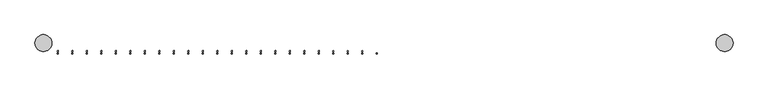
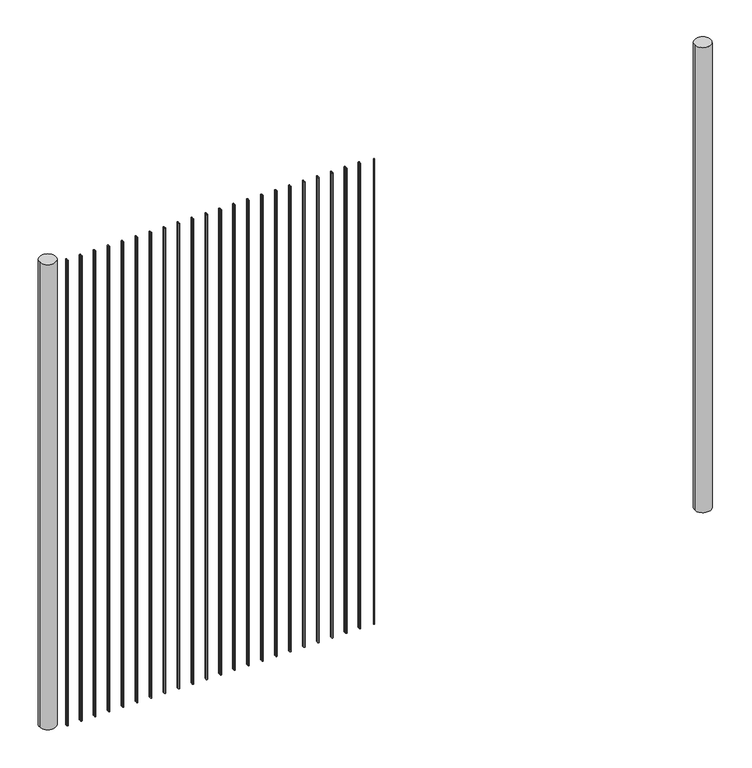
"""IFC4 building model written with IfcOpenShell, lengths in millimetres: railing geometry."""

from ifc_helpers import new_model, si_unit, point, frame, frame_2d, origin, place, context, project, spatial, circle_curve, trimmed, segment, composite_curve, outline, extrude, source, transform, mapped, element, save


def railing_9cec7377(model_context):
    return source(origin(), model_context, "Body", "SweptSolid", [
        extrude(outline(composite_curve([segment(trimmed(circle_curve(frame_2d((-3996.1985631, -1802.8508363)), 2.0574), [point((-3996.1985631, -1800.7934363))], [point((-3996.1985631, -1804.9082363))], False, "CARTESIAN"), True, "CONTINUOUS"), segment(trimmed(circle_curve(frame_2d((-3996.1985631, -1802.8508363)), 2.0574), [point((-3996.1985631, -1804.9082363))], [point((-3996.1985631, -1800.7934363))], False, "CARTESIAN"), True, "CONTINUOUS")], self_intersect=False)), frame((0.0, 0.0, 7620.0), z_axis=(0.0, 0.0, 1.0), x_axis=(1.0, 0.0, 0.0)), (0.0, 0.0, 1.0), 1828.8),
        extrude(outline(composite_curve([segment(trimmed(circle_curve(frame_2d((-4048.0794142, -1794.6212363)), 2.0574), [point((-4048.0794142, -1796.6786363))], [point((-4048.0794142, -1792.5638363))], False, "CARTESIAN"), True, "CONTINUOUS"), segment(trimmed(circle_curve(frame_2d((-4048.0794142, -1794.6212363)), 2.0574), [point((-4048.0794142, -1792.5638363))], [point((-4048.0794142, -1796.6786363))], False, "CARTESIAN"), True, "CONTINUOUS")], self_intersect=False)), frame((0.0, 0.0, 7620.0), z_axis=(0.0, 0.0, 1.0), x_axis=(1.0, 0.0, 0.0)), (0.0, 0.0, 1.0), 1828.8),
        extrude(outline(composite_curve([segment(trimmed(circle_curve(frame_2d((-4048.0794142, -1802.8508363)), 2.0574), [point((-4048.0794142, -1800.7934363))], [point((-4048.0794142, -1804.9082363))], False, "CARTESIAN"), True, "CONTINUOUS"), segment(trimmed(circle_curve(frame_2d((-4048.0794142, -1802.8508363)), 2.0574), [point((-4048.0794142, -1804.9082363))], [point((-4048.0794142, -1800.7934363))], False, "CARTESIAN"), True, "CONTINUOUS")], self_intersect=False)), frame((0.0, 0.0, 7620.0), z_axis=(0.0, 0.0, 1.0), x_axis=(1.0, 0.0, 0.0)), (0.0, 0.0, 1.0), 1828.8),
        extrude(outline(composite_curve([segment(trimmed(circle_curve(frame_2d((-4099.9602653, -1794.6212363)), 2.0574), [point((-4099.9602653, -1796.6786363))], [point((-4099.9602653, -1792.5638363))], False, "CARTESIAN"), True, "CONTINUOUS"), segment(trimmed(circle_curve(frame_2d((-4099.9602653, -1794.6212363)), 2.0574), [point((-4099.9602653, -1792.5638363))], [point((-4099.9602653, -1796.6786363))], False, "CARTESIAN"), True, "CONTINUOUS")], self_intersect=False)), frame((0.0, 0.0, 7620.0), z_axis=(0.0, 0.0, 1.0), x_axis=(1.0, 0.0, 0.0)), (0.0, 0.0, 1.0), 1828.8),
        extrude(outline(composite_curve([segment(trimmed(circle_curve(frame_2d((-4099.9602653, -1802.8508363)), 2.0574), [point((-4099.9602653, -1800.7934363))], [point((-4099.9602653, -1804.9082363))], False, "CARTESIAN"), True, "CONTINUOUS"), segment(trimmed(circle_curve(frame_2d((-4099.9602653, -1802.8508363)), 2.0574), [point((-4099.9602653, -1804.9082363))], [point((-4099.9602653, -1800.7934363))], False, "CARTESIAN"), True, "CONTINUOUS")], self_intersect=False)), frame((0.0, 0.0, 7620.0), z_axis=(0.0, 0.0, 1.0), x_axis=(1.0, 0.0, 0.0)), (0.0, 0.0, 1.0), 1828.8),
        extrude(outline(composite_curve([segment(trimmed(circle_curve(frame_2d((-4151.8411163, -1794.6212363)), 2.0574), [point((-4151.8411163, -1796.6786363))], [point((-4151.8411163, -1792.5638363))], False, "CARTESIAN"), True, "CONTINUOUS"), segment(trimmed(circle_curve(frame_2d((-4151.8411163, -1794.6212363)), 2.0574), [point((-4151.8411163, -1792.5638363))], [point((-4151.8411163, -1796.6786363))], False, "CARTESIAN"), True, "CONTINUOUS")], self_intersect=False)), frame((0.0, 0.0, 7620.0), z_axis=(0.0, 0.0, 1.0), x_axis=(1.0, 0.0, 0.0)), (0.0, 0.0, 1.0), 1828.8),
        extrude(outline(composite_curve([segment(trimmed(circle_curve(frame_2d((-4151.8411163, -1802.8508363)), 2.0574), [point((-4151.8411163, -1800.7934363))], [point((-4151.8411163, -1804.9082363))], False, "CARTESIAN"), True, "CONTINUOUS"), segment(trimmed(circle_curve(frame_2d((-4151.8411163, -1802.8508363)), 2.0574), [point((-4151.8411163, -1804.9082363))], [point((-4151.8411163, -1800.7934363))], False, "CARTESIAN"), True, "CONTINUOUS")], self_intersect=False)), frame((0.0, 0.0, 7620.0), z_axis=(0.0, 0.0, 1.0), x_axis=(1.0, 0.0, 0.0)), (0.0, 0.0, 1.0), 1828.8),
        extrude(outline(composite_curve([segment(trimmed(circle_curve(frame_2d((-4203.7219674, -1794.6212363)), 2.0574), [point((-4203.7219674, -1796.6786363))], [point((-4203.7219674, -1792.5638363))], False, "CARTESIAN"), True, "CONTINUOUS"), segment(trimmed(circle_curve(frame_2d((-4203.7219674, -1794.6212363)), 2.0574), [point((-4203.7219674, -1792.5638363))], [point((-4203.7219674, -1796.6786363))], False, "CARTESIAN"), True, "CONTINUOUS")], self_intersect=False)), frame((0.0, 0.0, 7620.0), z_axis=(0.0, 0.0, 1.0), x_axis=(1.0, 0.0, 0.0)), (0.0, 0.0, 1.0), 1828.8),
        extrude(outline(composite_curve([segment(trimmed(circle_curve(frame_2d((-4203.7219674, -1802.8508363)), 2.0574), [point((-4203.7219674, -1800.7934363))], [point((-4203.7219674, -1804.9082363))], False, "CARTESIAN"), True, "CONTINUOUS"), segment(trimmed(circle_curve(frame_2d((-4203.7219674, -1802.8508363)), 2.0574), [point((-4203.7219674, -1804.9082363))], [point((-4203.7219674, -1800.7934363))], False, "CARTESIAN"), True, "CONTINUOUS")], self_intersect=False)), frame((0.0, 0.0, 7620.0), z_axis=(0.0, 0.0, 1.0), x_axis=(1.0, 0.0, 0.0)), (0.0, 0.0, 1.0), 1828.8),
        extrude(outline(composite_curve([segment(trimmed(circle_curve(frame_2d((-4255.6028185, -1794.6212363)), 2.0574), [point((-4255.6028185, -1796.6786363))], [point((-4255.6028185, -1792.5638363))], False, "CARTESIAN"), True, "CONTINUOUS"), segment(trimmed(circle_curve(frame_2d((-4255.6028185, -1794.6212363)), 2.0574), [point((-4255.6028185, -1792.5638363))], [point((-4255.6028185, -1796.6786363))], False, "CARTESIAN"), True, "CONTINUOUS")], self_intersect=False)), frame((0.0, 0.0, 7620.0), z_axis=(0.0, 0.0, 1.0), x_axis=(1.0, 0.0, 0.0)), (0.0, 0.0, 1.0), 1828.8),
        extrude(outline(composite_curve([segment(trimmed(circle_curve(frame_2d((-4255.6028185, -1802.8508363)), 2.0574), [point((-4255.6028185, -1800.7934363))], [point((-4255.6028185, -1804.9082363))], False, "CARTESIAN"), True, "CONTINUOUS"), segment(trimmed(circle_curve(frame_2d((-4255.6028185, -1802.8508363)), 2.0574), [point((-4255.6028185, -1804.9082363))], [point((-4255.6028185, -1800.7934363))], False, "CARTESIAN"), True, "CONTINUOUS")], self_intersect=False)), frame((0.0, 0.0, 7620.0), z_axis=(0.0, 0.0, 1.0), x_axis=(1.0, 0.0, 0.0)), (0.0, 0.0, 1.0), 1828.8),
        extrude(outline(composite_curve([segment(trimmed(circle_curve(frame_2d((-4307.4836695, -1794.6212363)), 2.0574), [point((-4307.4836695, -1796.6786363))], [point((-4307.4836695, -1792.5638363))], False, "CARTESIAN"), True, "CONTINUOUS"), segment(trimmed(circle_curve(frame_2d((-4307.4836695, -1794.6212363)), 2.0574), [point((-4307.4836695, -1792.5638363))], [point((-4307.4836695, -1796.6786363))], False, "CARTESIAN"), True, "CONTINUOUS")], self_intersect=False)), frame((0.0, 0.0, 7620.0), z_axis=(0.0, 0.0, 1.0), x_axis=(1.0, 0.0, 0.0)), (0.0, 0.0, 1.0), 1828.8),
        extrude(outline(composite_curve([segment(trimmed(circle_curve(frame_2d((-4307.4836695, -1802.8508363)), 2.0574), [point((-4307.4836695, -1800.7934363))], [point((-4307.4836695, -1804.9082363))], False, "CARTESIAN"), True, "CONTINUOUS"), segment(trimmed(circle_curve(frame_2d((-4307.4836695, -1802.8508363)), 2.0574), [point((-4307.4836695, -1804.9082363))], [point((-4307.4836695, -1800.7934363))], False, "CARTESIAN"), True, "CONTINUOUS")], self_intersect=False)), frame((0.0, 0.0, 7620.0), z_axis=(0.0, 0.0, 1.0), x_axis=(1.0, 0.0, 0.0)), (0.0, 0.0, 1.0), 1828.8),
        extrude(outline(composite_curve([segment(trimmed(circle_curve(frame_2d((-4359.3645206, -1794.6212363)), 2.0574), [point((-4359.3645206, -1796.6786363))], [point((-4359.3645206, -1792.5638363))], False, "CARTESIAN"), True, "CONTINUOUS"), segment(trimmed(circle_curve(frame_2d((-4359.3645206, -1794.6212363)), 2.0574), [point((-4359.3645206, -1792.5638363))], [point((-4359.3645206, -1796.6786363))], False, "CARTESIAN"), True, "CONTINUOUS")], self_intersect=False)), frame((0.0, 0.0, 7620.0), z_axis=(0.0, 0.0, 1.0), x_axis=(1.0, 0.0, 0.0)), (0.0, 0.0, 1.0), 1828.8),
        extrude(outline(composite_curve([segment(trimmed(circle_curve(frame_2d((-4359.3645206, -1802.8508363)), 2.0574), [point((-4359.3645206, -1800.7934363))], [point((-4359.3645206, -1804.9082363))], False, "CARTESIAN"), True, "CONTINUOUS"), segment(trimmed(circle_curve(frame_2d((-4359.3645206, -1802.8508363)), 2.0574), [point((-4359.3645206, -1804.9082363))], [point((-4359.3645206, -1800.7934363))], False, "CARTESIAN"), True, "CONTINUOUS")], self_intersect=False)), frame((0.0, 0.0, 7620.0), z_axis=(0.0, 0.0, 1.0), x_axis=(1.0, 0.0, 0.0)), (0.0, 0.0, 1.0), 1828.8),
        extrude(outline(composite_curve([segment(trimmed(circle_curve(frame_2d((-4411.2453717, -1794.6212363)), 2.0574), [point((-4411.2453717, -1796.6786363))], [point((-4411.2453717, -1792.5638363))], False, "CARTESIAN"), True, "CONTINUOUS"), segment(trimmed(circle_curve(frame_2d((-4411.2453717, -1794.6212363)), 2.0574), [point((-4411.2453717, -1792.5638363))], [point((-4411.2453717, -1796.6786363))], False, "CARTESIAN"), True, "CONTINUOUS")], self_intersect=False)), frame((0.0, 0.0, 7620.0), z_axis=(0.0, 0.0, 1.0), x_axis=(1.0, 0.0, 0.0)), (0.0, 0.0, 1.0), 1828.8),
        extrude(outline(composite_curve([segment(trimmed(circle_curve(frame_2d((-4411.2453717, -1802.8508363)), 2.0574), [point((-4411.2453717, -1800.7934363))], [point((-4411.2453717, -1804.9082363))], False, "CARTESIAN"), True, "CONTINUOUS"), segment(trimmed(circle_curve(frame_2d((-4411.2453717, -1802.8508363)), 2.0574), [point((-4411.2453717, -1804.9082363))], [point((-4411.2453717, -1800.7934363))], False, "CARTESIAN"), True, "CONTINUOUS")], self_intersect=False)), frame((0.0, 0.0, 7620.0), z_axis=(0.0, 0.0, 1.0), x_axis=(1.0, 0.0, 0.0)), (0.0, 0.0, 1.0), 1828.8),
        extrude(outline(composite_curve([segment(trimmed(circle_curve(frame_2d((-4463.1262227, -1794.6212363)), 2.0574), [point((-4463.1262227, -1796.6786363))], [point((-4463.1262227, -1792.5638363))], False, "CARTESIAN"), True, "CONTINUOUS"), segment(trimmed(circle_curve(frame_2d((-4463.1262227, -1794.6212363)), 2.0574), [point((-4463.1262227, -1792.5638363))], [point((-4463.1262227, -1796.6786363))], False, "CARTESIAN"), True, "CONTINUOUS")], self_intersect=False)), frame((0.0, 0.0, 7620.0), z_axis=(0.0, 0.0, 1.0), x_axis=(1.0, 0.0, 0.0)), (0.0, 0.0, 1.0), 1828.8),
        extrude(outline(composite_curve([segment(trimmed(circle_curve(frame_2d((-4463.1262227, -1802.8508363)), 2.0574), [point((-4463.1262227, -1800.7934363))], [point((-4463.1262227, -1804.9082363))], False, "CARTESIAN"), True, "CONTINUOUS"), segment(trimmed(circle_curve(frame_2d((-4463.1262227, -1802.8508363)), 2.0574), [point((-4463.1262227, -1804.9082363))], [point((-4463.1262227, -1800.7934363))], False, "CARTESIAN"), True, "CONTINUOUS")], self_intersect=False)), frame((0.0, 0.0, 7620.0), z_axis=(0.0, 0.0, 1.0), x_axis=(1.0, 0.0, 0.0)), (0.0, 0.0, 1.0), 1828.8),
        extrude(outline(composite_curve([segment(trimmed(circle_curve(frame_2d((-4515.0070738, -1794.6212363)), 2.0574), [point((-4515.0070738, -1796.6786363))], [point((-4515.0070738, -1792.5638363))], False, "CARTESIAN"), True, "CONTINUOUS"), segment(trimmed(circle_curve(frame_2d((-4515.0070738, -1794.6212363)), 2.0574), [point((-4515.0070738, -1792.5638363))], [point((-4515.0070738, -1796.6786363))], False, "CARTESIAN"), True, "CONTINUOUS")], self_intersect=False)), frame((0.0, 0.0, 7620.0), z_axis=(0.0, 0.0, 1.0), x_axis=(1.0, 0.0, 0.0)), (0.0, 0.0, 1.0), 1828.8),
        extrude(outline(composite_curve([segment(trimmed(circle_curve(frame_2d((-4515.0070738, -1802.8508363)), 2.0574), [point((-4515.0070738, -1800.7934363))], [point((-4515.0070738, -1804.9082363))], False, "CARTESIAN"), True, "CONTINUOUS"), segment(trimmed(circle_curve(frame_2d((-4515.0070738, -1802.8508363)), 2.0574), [point((-4515.0070738, -1804.9082363))], [point((-4515.0070738, -1800.7934363))], False, "CARTESIAN"), True, "CONTINUOUS")], self_intersect=False)), frame((0.0, 0.0, 7620.0), z_axis=(0.0, 0.0, 1.0), x_axis=(1.0, 0.0, 0.0)), (0.0, 0.0, 1.0), 1828.8),
        extrude(outline(composite_curve([segment(trimmed(circle_curve(frame_2d((-4566.8879248, -1794.6212363)), 2.0574), [point((-4566.8879248, -1796.6786363))], [point((-4566.8879248, -1792.5638363))], False, "CARTESIAN"), True, "CONTINUOUS"), segment(trimmed(circle_curve(frame_2d((-4566.8879248, -1794.6212363)), 2.0574), [point((-4566.8879248, -1792.5638363))], [point((-4566.8879248, -1796.6786363))], False, "CARTESIAN"), True, "CONTINUOUS")], self_intersect=False)), frame((0.0, 0.0, 7620.0), z_axis=(0.0, 0.0, 1.0), x_axis=(1.0, 0.0, 0.0)), (0.0, 0.0, 1.0), 1828.8),
        extrude(outline(composite_curve([segment(trimmed(circle_curve(frame_2d((-4566.8879248, -1802.8508363)), 2.0574), [point((-4566.8879248, -1800.7934363))], [point((-4566.8879248, -1804.9082363))], False, "CARTESIAN"), True, "CONTINUOUS"), segment(trimmed(circle_curve(frame_2d((-4566.8879248, -1802.8508363)), 2.0574), [point((-4566.8879248, -1804.9082363))], [point((-4566.8879248, -1800.7934363))], False, "CARTESIAN"), True, "CONTINUOUS")], self_intersect=False)), frame((0.0, 0.0, 7620.0), z_axis=(0.0, 0.0, 1.0), x_axis=(1.0, 0.0, 0.0)), (0.0, 0.0, 1.0), 1828.8),
        extrude(outline(composite_curve([segment(trimmed(circle_curve(frame_2d((-4618.7687759, -1794.6212363)), 2.0574), [point((-4618.7687759, -1796.6786363))], [point((-4618.7687759, -1792.5638363))], False, "CARTESIAN"), True, "CONTINUOUS"), segment(trimmed(circle_curve(frame_2d((-4618.7687759, -1794.6212363)), 2.0574), [point((-4618.7687759, -1792.5638363))], [point((-4618.7687759, -1796.6786363))], False, "CARTESIAN"), True, "CONTINUOUS")], self_intersect=False)), frame((0.0, 0.0, 7620.0), z_axis=(0.0, 0.0, 1.0), x_axis=(1.0, 0.0, 0.0)), (0.0, 0.0, 1.0), 1828.8),
        extrude(outline(composite_curve([segment(trimmed(circle_curve(frame_2d((-4618.7687759, -1802.8508363)), 2.0574), [point((-4618.7687759, -1800.7934363))], [point((-4618.7687759, -1804.9082363))], False, "CARTESIAN"), True, "CONTINUOUS"), segment(trimmed(circle_curve(frame_2d((-4618.7687759, -1802.8508363)), 2.0574), [point((-4618.7687759, -1804.9082363))], [point((-4618.7687759, -1800.7934363))], False, "CARTESIAN"), True, "CONTINUOUS")], self_intersect=False)), frame((0.0, 0.0, 7620.0), z_axis=(0.0, 0.0, 1.0), x_axis=(1.0, 0.0, 0.0)), (0.0, 0.0, 1.0), 1828.8),
        extrude(outline(composite_curve([segment(trimmed(circle_curve(frame_2d((-4670.649627, -1794.6212363)), 2.0574), [point((-4670.649627, -1796.6786363))], [point((-4670.649627, -1792.5638363))], False, "CARTESIAN"), True, "CONTINUOUS"), segment(trimmed(circle_curve(frame_2d((-4670.649627, -1794.6212363)), 2.0574), [point((-4670.649627, -1792.5638363))], [point((-4670.649627, -1796.6786363))], False, "CARTESIAN"), True, "CONTINUOUS")], self_intersect=False)), frame((0.0, 0.0, 7620.0), z_axis=(0.0, 0.0, 1.0), x_axis=(1.0, 0.0, 0.0)), (0.0, 0.0, 1.0), 1828.8),
        extrude(outline(composite_curve([segment(trimmed(circle_curve(frame_2d((-4670.649627, -1802.8508363)), 2.0574), [point((-4670.649627, -1800.7934363))], [point((-4670.649627, -1804.9082363))], False, "CARTESIAN"), True, "CONTINUOUS"), segment(trimmed(circle_curve(frame_2d((-4670.649627, -1802.8508363)), 2.0574), [point((-4670.649627, -1804.9082363))], [point((-4670.649627, -1800.7934363))], False, "CARTESIAN"), True, "CONTINUOUS")], self_intersect=False)), frame((0.0, 0.0, 7620.0), z_axis=(0.0, 0.0, 1.0), x_axis=(1.0, 0.0, 0.0)), (0.0, 0.0, 1.0), 1828.8),
        extrude(outline(composite_curve([segment(trimmed(circle_curve(frame_2d((-4722.530478, -1794.6212363)), 2.0574), [point((-4722.530478, -1796.6786363))], [point((-4722.530478, -1792.5638363))], False, "CARTESIAN"), True, "CONTINUOUS"), segment(trimmed(circle_curve(frame_2d((-4722.530478, -1794.6212363)), 2.0574), [point((-4722.530478, -1792.5638363))], [point((-4722.530478, -1796.6786363))], False, "CARTESIAN"), True, "CONTINUOUS")], self_intersect=False)), frame((0.0, 0.0, 7620.0), z_axis=(0.0, 0.0, 1.0), x_axis=(1.0, 0.0, 0.0)), (0.0, 0.0, 1.0), 1828.8),
        extrude(outline(composite_curve([segment(trimmed(circle_curve(frame_2d((-4722.530478, -1802.8508363)), 2.0574), [point((-4722.530478, -1800.7934363))], [point((-4722.530478, -1804.9082363))], False, "CARTESIAN"), True, "CONTINUOUS"), segment(trimmed(circle_curve(frame_2d((-4722.530478, -1802.8508363)), 2.0574), [point((-4722.530478, -1804.9082363))], [point((-4722.530478, -1800.7934363))], False, "CARTESIAN"), True, "CONTINUOUS")], self_intersect=False)), frame((0.0, 0.0, 7620.0), z_axis=(0.0, 0.0, 1.0), x_axis=(1.0, 0.0, 0.0)), (0.0, 0.0, 1.0), 1828.8),
        extrude(outline(composite_curve([segment(trimmed(circle_curve(frame_2d((-4774.4113291, -1794.6212363)), 2.0574), [point((-4774.4113291, -1796.6786363))], [point((-4774.4113291, -1792.5638363))], False, "CARTESIAN"), True, "CONTINUOUS"), segment(trimmed(circle_curve(frame_2d((-4774.4113291, -1794.6212363)), 2.0574), [point((-4774.4113291, -1792.5638363))], [point((-4774.4113291, -1796.6786363))], False, "CARTESIAN"), True, "CONTINUOUS")], self_intersect=False)), frame((0.0, 0.0, 7620.0), z_axis=(0.0, 0.0, 1.0), x_axis=(1.0, 0.0, 0.0)), (0.0, 0.0, 1.0), 1828.8),
        extrude(outline(composite_curve([segment(trimmed(circle_curve(frame_2d((-4774.4113291, -1802.8508363)), 2.0574), [point((-4774.4113291, -1800.7934363))], [point((-4774.4113291, -1804.9082363))], False, "CARTESIAN"), True, "CONTINUOUS"), segment(trimmed(circle_curve(frame_2d((-4774.4113291, -1802.8508363)), 2.0574), [point((-4774.4113291, -1804.9082363))], [point((-4774.4113291, -1800.7934363))], False, "CARTESIAN"), True, "CONTINUOUS")], self_intersect=False)), frame((0.0, 0.0, 7620.0), z_axis=(0.0, 0.0, 1.0), x_axis=(1.0, 0.0, 0.0)), (0.0, 0.0, 1.0), 1828.8),
        extrude(outline(composite_curve([segment(trimmed(circle_curve(frame_2d((-4826.2921802, -1794.6212363)), 2.0574), [point((-4826.2921802, -1796.6786363))], [point((-4826.2921802, -1792.5638363))], False, "CARTESIAN"), True, "CONTINUOUS"), segment(trimmed(circle_curve(frame_2d((-4826.2921802, -1794.6212363)), 2.0574), [point((-4826.2921802, -1792.5638363))], [point((-4826.2921802, -1796.6786363))], False, "CARTESIAN"), True, "CONTINUOUS")], self_intersect=False)), frame((0.0, 0.0, 7620.0), z_axis=(0.0, 0.0, 1.0), x_axis=(1.0, 0.0, 0.0)), (0.0, 0.0, 1.0), 1828.8),
        extrude(outline(composite_curve([segment(trimmed(circle_curve(frame_2d((-4826.2921802, -1802.8508363)), 2.0574), [point((-4826.2921802, -1800.7934363))], [point((-4826.2921802, -1804.9082363))], False, "CARTESIAN"), True, "CONTINUOUS"), segment(trimmed(circle_curve(frame_2d((-4826.2921802, -1802.8508363)), 2.0574), [point((-4826.2921802, -1804.9082363))], [point((-4826.2921802, -1800.7934363))], False, "CARTESIAN"), True, "CONTINUOUS")], self_intersect=False)), frame((0.0, 0.0, 7620.0), z_axis=(0.0, 0.0, 1.0), x_axis=(1.0, 0.0, 0.0)), (0.0, 0.0, 1.0), 1828.8),
        extrude(outline(composite_curve([segment(trimmed(circle_curve(frame_2d((-4878.1730312, -1794.6212363)), 2.0574), [point((-4878.1730312, -1796.6786363))], [point((-4878.1730312, -1792.5638363))], False, "CARTESIAN"), True, "CONTINUOUS"), segment(trimmed(circle_curve(frame_2d((-4878.1730312, -1794.6212363)), 2.0574), [point((-4878.1730312, -1792.5638363))], [point((-4878.1730312, -1796.6786363))], False, "CARTESIAN"), True, "CONTINUOUS")], self_intersect=False)), frame((0.0, 0.0, 7620.0), z_axis=(0.0, 0.0, 1.0), x_axis=(1.0, 0.0, 0.0)), (0.0, 0.0, 1.0), 1828.8),
        extrude(outline(composite_curve([segment(trimmed(circle_curve(frame_2d((-4878.1730312, -1802.8508363)), 2.0574), [point((-4878.1730312, -1800.7934363))], [point((-4878.1730312, -1804.9082363))], False, "CARTESIAN"), True, "CONTINUOUS"), segment(trimmed(circle_curve(frame_2d((-4878.1730312, -1802.8508363)), 2.0574), [point((-4878.1730312, -1804.9082363))], [point((-4878.1730312, -1800.7934363))], False, "CARTESIAN"), True, "CONTINUOUS")], self_intersect=False)), frame((0.0, 0.0, 7620.0), z_axis=(0.0, 0.0, 1.0), x_axis=(1.0, 0.0, 0.0)), (0.0, 0.0, 1.0), 1828.8),
        extrude(outline(composite_curve([segment(trimmed(circle_curve(frame_2d((-4930.0538823, -1794.6212363)), 2.0574), [point((-4930.0538823, -1796.6786363))], [point((-4930.0538823, -1792.5638363))], False, "CARTESIAN"), True, "CONTINUOUS"), segment(trimmed(circle_curve(frame_2d((-4930.0538823, -1794.6212363)), 2.0574), [point((-4930.0538823, -1792.5638363))], [point((-4930.0538823, -1796.6786363))], False, "CARTESIAN"), True, "CONTINUOUS")], self_intersect=False)), frame((0.0, 0.0, 7620.0), z_axis=(0.0, 0.0, 1.0), x_axis=(1.0, 0.0, 0.0)), (0.0, 0.0, 1.0), 1828.8),
        extrude(outline(composite_curve([segment(trimmed(circle_curve(frame_2d((-4930.0538823, -1802.8508363)), 2.0574), [point((-4930.0538823, -1800.7934363))], [point((-4930.0538823, -1804.9082363))], False, "CARTESIAN"), True, "CONTINUOUS"), segment(trimmed(circle_curve(frame_2d((-4930.0538823, -1802.8508363)), 2.0574), [point((-4930.0538823, -1804.9082363))], [point((-4930.0538823, -1800.7934363))], False, "CARTESIAN"), True, "CONTINUOUS")], self_intersect=False)), frame((0.0, 0.0, 7620.0), z_axis=(0.0, 0.0, 1.0), x_axis=(1.0, 0.0, 0.0)), (0.0, 0.0, 1.0), 1828.8),
        extrude(outline(composite_curve([segment(trimmed(circle_curve(frame_2d((-4981.9347334, -1794.6212363)), 2.0574), [point((-4981.9347334, -1796.6786363))], [point((-4981.9347334, -1792.5638363))], False, "CARTESIAN"), True, "CONTINUOUS"), segment(trimmed(circle_curve(frame_2d((-4981.9347334, -1794.6212363)), 2.0574), [point((-4981.9347334, -1792.5638363))], [point((-4981.9347334, -1796.6786363))], False, "CARTESIAN"), True, "CONTINUOUS")], self_intersect=False)), frame((0.0, 0.0, 7620.0), z_axis=(0.0, 0.0, 1.0), x_axis=(1.0, 0.0, 0.0)), (0.0, 0.0, 1.0), 1828.8),
        extrude(outline(composite_curve([segment(trimmed(circle_curve(frame_2d((-4981.9347334, -1802.8508363)), 2.0574), [point((-4981.9347334, -1800.7934363))], [point((-4981.9347334, -1804.9082363))], False, "CARTESIAN"), True, "CONTINUOUS"), segment(trimmed(circle_curve(frame_2d((-4981.9347334, -1802.8508363)), 2.0574), [point((-4981.9347334, -1804.9082363))], [point((-4981.9347334, -1800.7934363))], False, "CARTESIAN"), True, "CONTINUOUS")], self_intersect=False)), frame((0.0, 0.0, 7620.0), z_axis=(0.0, 0.0, 1.0), x_axis=(1.0, 0.0, 0.0)), (0.0, 0.0, 1.0), 1828.8),
        extrude(outline(composite_curve([segment(trimmed(circle_curve(frame_2d((-5033.8155844, -1794.6212363)), 2.0574), [point((-5033.8155844, -1796.6786363))], [point((-5033.8155844, -1792.5638363))], False, "CARTESIAN"), True, "CONTINUOUS"), segment(trimmed(circle_curve(frame_2d((-5033.8155844, -1794.6212363)), 2.0574), [point((-5033.8155844, -1792.5638363))], [point((-5033.8155844, -1796.6786363))], False, "CARTESIAN"), True, "CONTINUOUS")], self_intersect=False)), frame((0.0, 0.0, 7620.0), z_axis=(0.0, 0.0, 1.0), x_axis=(1.0, 0.0, 0.0)), (0.0, 0.0, 1.0), 1828.8),
        extrude(outline(composite_curve([segment(trimmed(circle_curve(frame_2d((-5033.8155844, -1802.8508363)), 2.0574), [point((-5033.8155844, -1800.7934363))], [point((-5033.8155844, -1804.9082363))], False, "CARTESIAN"), True, "CONTINUOUS"), segment(trimmed(circle_curve(frame_2d((-5033.8155844, -1802.8508363)), 2.0574), [point((-5033.8155844, -1804.9082363))], [point((-5033.8155844, -1800.7934363))], False, "CARTESIAN"), True, "CONTINUOUS")], self_intersect=False)), frame((0.0, 0.0, 7620.0), z_axis=(0.0, 0.0, 1.0), x_axis=(1.0, 0.0, 0.0)), (0.0, 0.0, 1.0), 1828.8),
        extrude(outline(composite_curve([segment(trimmed(circle_curve(frame_2d((-5085.6964355, -1794.6212363)), 2.0574), [point((-5085.6964355, -1796.6786363))], [point((-5085.6964355, -1792.5638363))], False, "CARTESIAN"), True, "CONTINUOUS"), segment(trimmed(circle_curve(frame_2d((-5085.6964355, -1794.6212363)), 2.0574), [point((-5085.6964355, -1792.5638363))], [point((-5085.6964355, -1796.6786363))], False, "CARTESIAN"), True, "CONTINUOUS")], self_intersect=False)), frame((0.0, 0.0, 7620.0), z_axis=(0.0, 0.0, 1.0), x_axis=(1.0, 0.0, 0.0)), (0.0, 0.0, 1.0), 1828.8),
        extrude(outline(composite_curve([segment(trimmed(circle_curve(frame_2d((-5085.6964355, -1802.8508363)), 2.0574), [point((-5085.6964355, -1800.7934363))], [point((-5085.6964355, -1804.9082363))], False, "CARTESIAN"), True, "CONTINUOUS"), segment(trimmed(circle_curve(frame_2d((-5085.6964355, -1802.8508363)), 2.0574), [point((-5085.6964355, -1804.9082363))], [point((-5085.6964355, -1800.7934363))], False, "CARTESIAN"), True, "CONTINUOUS")], self_intersect=False)), frame((0.0, 0.0, 7620.0), z_axis=(0.0, 0.0, 1.0), x_axis=(1.0, 0.0, 0.0)), (0.0, 0.0, 1.0), 1828.8),
        extrude(outline(composite_curve([segment(trimmed(circle_curve(frame_2d((-5137.5772865, -1794.6212363)), 2.0574), [point((-5137.5772865, -1796.6786363))], [point((-5137.5772865, -1792.5638363))], False, "CARTESIAN"), True, "CONTINUOUS"), segment(trimmed(circle_curve(frame_2d((-5137.5772865, -1794.6212363)), 2.0574), [point((-5137.5772865, -1792.5638363))], [point((-5137.5772865, -1796.6786363))], False, "CARTESIAN"), True, "CONTINUOUS")], self_intersect=False)), frame((0.0, 0.0, 7620.0), z_axis=(0.0, 0.0, 1.0), x_axis=(1.0, 0.0, 0.0)), (0.0, 0.0, 1.0), 1828.8),
        extrude(outline(composite_curve([segment(trimmed(circle_curve(frame_2d((-5137.5772865, -1802.8508363)), 2.0574), [point((-5137.5772865, -1800.7934363))], [point((-5137.5772865, -1804.9082363))], False, "CARTESIAN"), True, "CONTINUOUS"), segment(trimmed(circle_curve(frame_2d((-5137.5772865, -1802.8508363)), 2.0574), [point((-5137.5772865, -1804.9082363))], [point((-5137.5772865, -1800.7934363))], False, "CARTESIAN"), True, "CONTINUOUS")], self_intersect=False)), frame((0.0, 0.0, 7620.0), z_axis=(0.0, 0.0, 1.0), x_axis=(1.0, 0.0, 0.0)), (0.0, 0.0, 1.0), 1828.8),
        extrude(outline(composite_curve([segment(trimmed(circle_curve(frame_2d((-2751.0581376, -1765.3985363)), 30.1625), [point((-2781.2206376, -1765.3985363))], [point((-2720.8956376, -1765.3985363))], False, "CARTESIAN"), True, "CONTINUOUS"), segment(trimmed(circle_curve(frame_2d((-2751.0581376, -1765.3985363)), 30.1625), [point((-2720.8956376, -1765.3985363))], [point((-2781.2206376, -1765.3985363))], False, "CARTESIAN"), True, "CONTINUOUS")], self_intersect=False)), frame((0.0, 0.0, 7620.0), z_axis=(0.0, 0.0, 1.0), x_axis=(1.0, 0.0, 0.0)), (0.0, 0.0, 1.0), 1828.8),
        extrude(outline(composite_curve([segment(trimmed(circle_curve(frame_2d((-5189.4581376, -1765.3985363)), 30.1625), [point((-5219.6206376, -1765.3985363))], [point((-5159.2956376, -1765.3985363))], False, "CARTESIAN"), True, "CONTINUOUS"), segment(trimmed(circle_curve(frame_2d((-5189.4581376, -1765.3985363)), 30.1625), [point((-5159.2956376, -1765.3985363))], [point((-5219.6206376, -1765.3985363))], False, "CARTESIAN"), True, "CONTINUOUS")], self_intersect=False)), frame((0.0, 0.0, 7620.0), z_axis=(0.0, 0.0, 1.0), x_axis=(1.0, 0.0, 0.0)), (0.0, 0.0, 1.0), 1828.8),
    ])


if __name__ == "__main__":
    model = new_model("IFC4")
    model_context = context("Model", 3, world=origin())
    ifc_project = project(units=[si_unit("LENGTHUNIT", "METRE", prefix="MILLI")], contexts=[model_context])
    site = spatial("IfcSite", under=ifc_project)
    building = spatial("IfcBuilding", under=site)
    placement = place(None, origin())
    railing_shape = railing_9cec7377(model_context)
    element("IfcRailing", 1, at=placement, inside=building, context=model_context, shape_type="MappedRepresentation", body=[
        mapped(railing_shape, transform((0.0, 0.0, 0.0), x_axis=(1.0, 0.0, 0.0), y_axis=(0.0, 1.0, 0.0), z_axis=(0.0, 0.0, 1.0))),
    ])
    save(model, "model.ifc")
